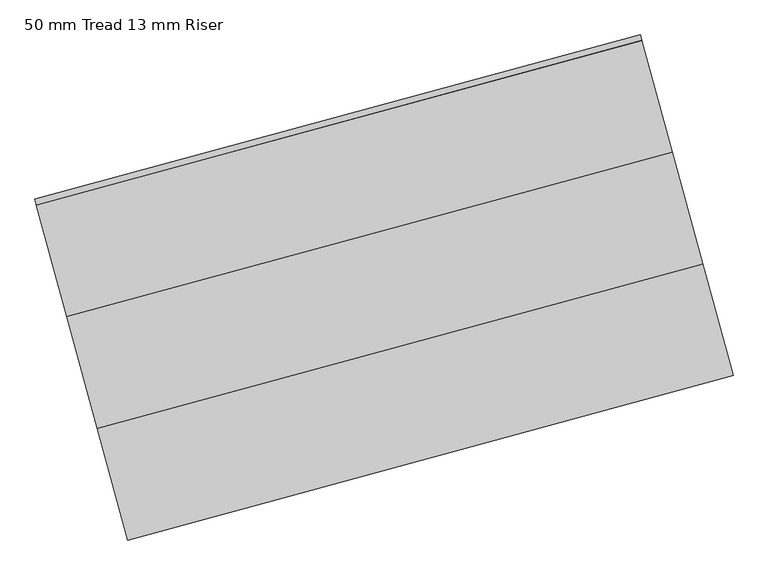
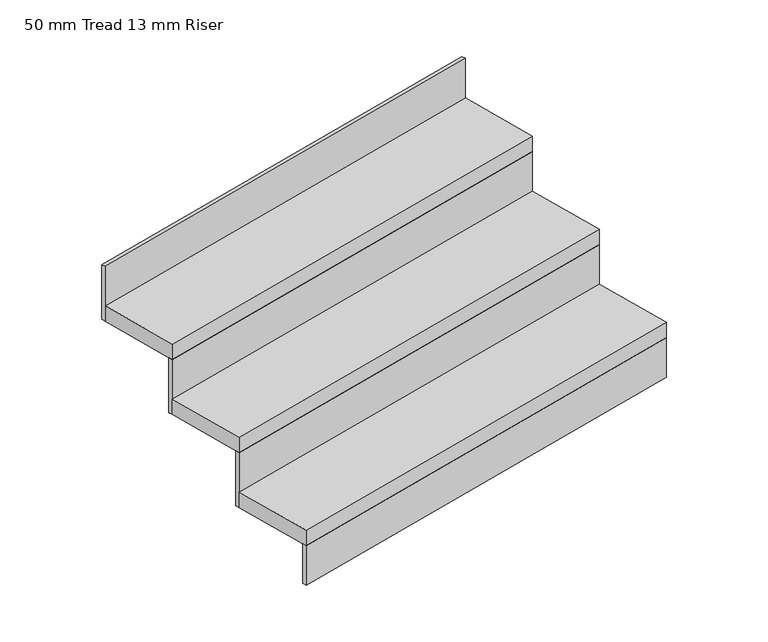
"""IFC4 building model written with IfcOpenShell, lengths in millimetres: stair flight geometry, 50 mm Tread 13 mm Riser."""

from ifc_helpers import new_model, si_unit, frame, origin, origin_with_axes, place, context, project, spatial, polyline, outline, extrude, source, transform, mapped, element, save


def stair_flight_50_mm_tread_13_mm_riser_ecdcaacc(model_context):
    return source(origin(), model_context, "Body", "SweptSolid", [
        extrude(outline(polyline([(291158.5052874, -50716.5150588), (291161.7838979, -50728.5774265), (289855.3395074, -51083.6753948), (289852.060897, -51071.6130272), (291158.5052874, -50716.5150588)])), origin_with_axes(), (0.0, 0.0, 1.0), 127.7777778),
        extrude(outline(polyline([(289789.7672982, -50842.4280417), (291096.2116887, -50487.3300734), (291161.7838979, -50728.5774265), (289855.3395074, -51083.6753948), (289789.7672982, -50842.4280417)])), frame((0.0, 0.0, 127.7777778), z_axis=(0.0, 0.0, 1.0), x_axis=(1.0, 0.0, 0.0)), (0.0, 0.0, 1.0), 50.0),
        extrude(outline(polyline([(291092.9330782, -50475.2677057), (291096.2116887, -50487.3300734), (289789.7672982, -50842.4280417), (289786.4886877, -50830.3656741), (291092.9330782, -50475.2677057)])), frame((0.0, 0.0, 127.7777778), z_axis=(0.0, 0.0, 1.0), x_axis=(1.0, 0.0, 0.0)), (0.0, 0.0, 1.0), 177.7777778),
        extrude(outline(polyline([(289724.1950889, -50601.1806887), (291030.6394794, -50246.0827203), (291096.2116887, -50487.3300734), (289789.7672982, -50842.4280417), (289724.1950889, -50601.1806887)])), frame((0.0, 0.0, 305.5555556), z_axis=(0.0, 0.0, 1.0), x_axis=(1.0, 0.0, 0.0)), (0.0, 0.0, 1.0), 50.0),
        extrude(outline(polyline([(291027.3608689, -50234.0203526), (291030.6394794, -50246.0827203), (289724.1950889, -50601.1806887), (289720.9164785, -50589.118321), (291027.3608689, -50234.0203526)])), frame((0.0, 0.0, 305.5555556), z_axis=(0.0, 0.0, 1.0), x_axis=(1.0, 0.0, 0.0)), (0.0, 0.0, 1.0), 177.7777778),
        extrude(outline(polyline([(290961.7886597, -49992.7729995), (290965.0672701, -50004.8353672), (289658.6228797, -50359.9333356), (289655.3442692, -50347.8709679), (290961.7886597, -49992.7729995)])), frame((0.0, 0.0, 483.3333333), z_axis=(0.0, 0.0, 1.0), x_axis=(1.0, 0.0, 0.0)), (0.0, 0.0, 1.0), 177.7777778),
        extrude(outline(polyline([(289658.6228797, -50359.9333356), (290965.0672701, -50004.8353672), (291030.6394794, -50246.0827203), (289724.1950889, -50601.1806887), (289658.6228797, -50359.9333356)])), frame((0.0, 0.0, 483.3333333), z_axis=(0.0, 0.0, 1.0), x_axis=(1.0, 0.0, 0.0)), (0.0, 0.0, 1.0), 50.0),
    ])


if __name__ == "__main__":
    model = new_model("IFC4")
    model_context = context("Model", 3, world=origin())
    ifc_project = project(units=[si_unit("LENGTHUNIT", "METRE", prefix="MILLI")], contexts=[model_context])
    site = spatial("IfcSite", under=ifc_project)
    building = spatial("IfcBuilding", under=site)
    placement = place(None, origin())
    stair_flight_50_mm_tread_13_mm_riser_shape = stair_flight_50_mm_tread_13_mm_riser_ecdcaacc(model_context)
    element("IfcStairFlight", 1, ObjectType="50 mm Tread 13 mm Riser", at=placement, inside=building, context=model_context, shape_type="MappedRepresentation", body=[
        mapped(stair_flight_50_mm_tread_13_mm_riser_shape, transform((0.0, 0.0, 0.0), x_axis=(1.0, 0.0, 0.0), y_axis=(0.0, 1.0, 0.0), z_axis=(0.0, 0.0, 1.0))),
    ])
    save(model, "model.ifc")
